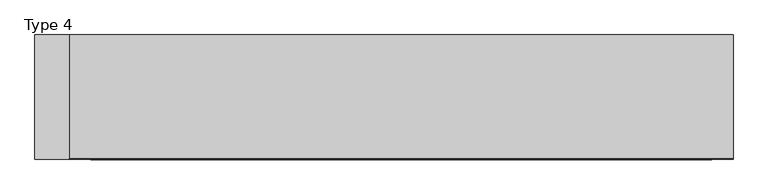
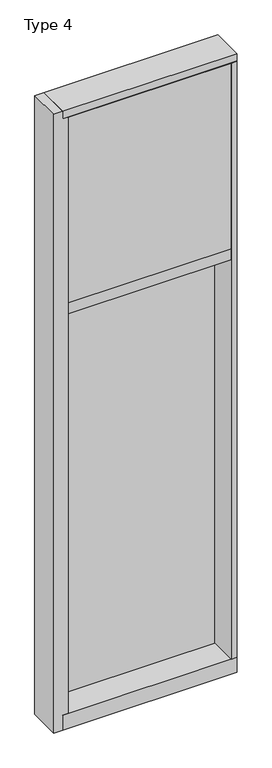
"""IFC4 building model written with IfcOpenShell, lengths in millimetres: plate geometry, Type 4."""

import ifcopenshell
import ifcopenshell.guid

model = None  # the IFC model being written
_history = None  # IfcOwnerHistory: only IFC2X3 demands one
_inside = {}  # id of a spatial element -> (the spatial element, [elements in it])
_under = {}  # id of a project, library or spatial element -> (it, [spatial elements below it])
_declared = {}  # id of a project -> (the project, [libraries it declares])
_typed = {}  # id of a type object -> (the type object, [elements of that type])
_made_of = {}  # id of a material, layer set ... -> (it, [elements and type objects made of it])


def new_model(schema):
    """Start an empty IFC model of exactly this schema.

    Asked for "IFC4X3", IfcOpenShell would pick the latest addendum, in which some entities
    have other attributes; the version numbers below select the first issue.
    IFC2X3 requires an IfcOwnerHistory on every rooted entity: one is made here for all.
    """
    global model, _history
    if schema == "IFC4X3":
        model = ifcopenshell.file(schema_version=(4, 3, 0, 0))
    else:
        model = ifcopenshell.file(schema=schema)
    _inside.clear()
    _under.clear()
    _declared.clear()
    _typed.clear()
    _made_of.clear()
    _history = None
    if model.schema == "IFC2X3":
        org = make("IfcOrganization", Name="unknown")
        user = make(
            "IfcPersonAndOrganization",
            ThePerson=make("IfcPerson", FamilyName="unknown"),
            TheOrganization=org,
        )
        app = make(
            "IfcApplication",
            ApplicationDeveloper=org,
            Version="unknown",
            ApplicationFullName="unknown",
            ApplicationIdentifier="unknown",
        )
        _history = make(
            "IfcOwnerHistory",
            OwningUser=user,
            OwningApplication=app,
            ChangeAction="ADDED",
            CreationDate=0,
        )
    return model


def make(cls, **values):
    """One entity of the class cls with the attributes given. An attribute that is None is left unset."""
    return model.create_entity(
        cls, **{name: value for name, value in values.items() if value is not None}
    )


def rooted(cls, **values):
    """An entity with a GlobalId (a new one), such as an element, a storey or a relation."""
    return make(cls, GlobalId=ifcopenshell.guid.new(), OwnerHistory=_history, **values)


def si_unit(unit_type, name, prefix=None):
    """IfcSIUnit, for example si_unit("LENGTHUNIT", "METRE", prefix="MILLI")."""
    return make("IfcSIUnit", UnitType=unit_type, Prefix=prefix, Name=name)


def assignment(units):
    """IfcUnitAssignment: the units of a project."""
    return None if units is None else make("IfcUnitAssignment", Units=units)


def point(xyz):
    """IfcCartesianPoint."""
    return None if xyz is None else make("IfcCartesianPoint", Coordinates=xyz)


def direction(xyz):
    """IfcDirection."""
    return None if xyz is None else make("IfcDirection", DirectionRatios=xyz)


def frame(location, z_axis=None, x_axis=None):
    """IfcAxis2Placement3D, a coordinate frame: its origin and axes. An axis left out is left unset."""
    return make(
        "IfcAxis2Placement3D",
        Location=point(location),
        Axis=direction(z_axis),
        RefDirection=direction(x_axis),
    )


def origin():
    """The frame at (0, 0, 0) with its axes left unset."""
    return frame((0.0, 0.0, 0.0))


def place(relative_to, where):
    """IfcLocalPlacement: puts the frame where relative to a parent placement (None: the world)."""
    return make(
        "IfcLocalPlacement", PlacementRelTo=relative_to, RelativePlacement=where
    )


def context(
    kind, dimensions, precision=None, world=None, true_north=None, identifier=None
):
    """IfcGeometricRepresentationContext, for example the 3D "Model" context."""
    return make(
        "IfcGeometricRepresentationContext",
        ContextIdentifier=identifier,
        ContextType=kind,
        CoordinateSpaceDimension=dimensions,
        Precision=precision,
        WorldCoordinateSystem=world,
        TrueNorth=true_north,
    )


def project(units=None, contexts=None):
    """IfcProject with its units and contexts."""
    return rooted(
        "IfcProject",
        Name="project",
        RepresentationContexts=contexts,
        UnitsInContext=assignment(units),
    )


def spatial(cls, under=None, at=None, **own):
    """A site, building, storey or space (cls), placed at a placement, below another one or the project."""
    s = rooted(cls, ObjectPlacement=at, **own)
    if under is not None:
        _under.setdefault(under.id(), (under, []))[1].append(s)
    return s


def polyline(points):
    """IfcPolyline through the points."""
    return make("IfcPolyline", Points=[point(p) for p in points])


def outline(outer, holes=None, kind="AREA"):
    """IfcArbitraryClosedProfileDef: a profile drawn as a closed curve; with holes, ...WithVoids."""
    if holes is None:
        return make("IfcArbitraryClosedProfileDef", ProfileType=kind, OuterCurve=outer)
    return make(
        "IfcArbitraryProfileDefWithVoids",
        ProfileType=kind,
        OuterCurve=outer,
        InnerCurves=holes,
    )


def extrude(swept, where, along, depth):
    """IfcExtrudedAreaSolid: the profile swept, set in the frame where, extruded along a direction by depth."""
    return make(
        "IfcExtrudedAreaSolid",
        SweptArea=swept,
        Position=where,
        ExtrudedDirection=direction(along),
        Depth=depth,
    )


def faces_of(points, faces, orient=None, outer=None):
    """IfcFace entities. A face is a list of loops; a loop is a list of indices into points, from 0.

    orient and outer hold one flag for each loop. By default every Orientation is true, the
    first loop of a face is its IfcFaceOuterBound and the others are IfcFaceBound.
    """
    made = []
    for i, loops in enumerate(faces):
        bounds = []
        for j, loop in enumerate(loops):
            is_outer = j == 0 if outer is None else outer[i][j]
            bounds.append(
                make(
                    "IfcFaceOuterBound" if is_outer else "IfcFaceBound",
                    Bound=make("IfcPolyLoop", Polygon=[points[k] for k in loop]),
                    Orientation=True if orient is None else orient[i][j],
                )
            )
        made.append(make("IfcFace", Bounds=bounds))
    return made


def faceted_brep(points, faces, orient=None, outer=None, voids=None):
    """IfcFacetedBrep: a solid bounded by flat faces; with voids (closed shells), ...WithVoids."""
    shared = [point(p) for p in points]
    hull = make("IfcClosedShell", CfsFaces=faces_of(shared, faces, orient, outer))
    if voids is None:
        return make("IfcFacetedBrep", Outer=hull)
    return make(
        "IfcFacetedBrepWithVoids",
        Outer=hull,
        Voids=[
            make(cls, CfsFaces=faces_of(shared, fs, o, b)) for cls, fs, o, b in voids
        ],
    )


def shape(context_of_items, identifier, shape_type, items):
    """IfcShapeRepresentation: the items that make up one representation, for example the "Body"."""
    return make(
        "IfcShapeRepresentation",
        ContextOfItems=context_of_items,
        RepresentationIdentifier=identifier,
        RepresentationType=shape_type,
        Items=items,
    )


def source(mapping_origin, context_of_items, identifier, shape_type, items):
    """IfcRepresentationMap: a shape defined once, which mapped items show again and again."""
    return make(
        "IfcRepresentationMap",
        MappingOrigin=mapping_origin,
        MappedRepresentation=shape(context_of_items, identifier, shape_type, items),
    )


def transform(
    local_origin,
    x_axis=None,
    y_axis=None,
    z_axis=None,
    scale=None,
    scale2=None,
    scale3=None,
    uniform=True,
):
    """IfcCartesianTransformationOperator3D, or its non-uniform kind. x_axis, y_axis, z_axis: its Axis1, 2, 3."""
    if uniform:
        return make(
            "IfcCartesianTransformationOperator3D",
            Axis1=direction(x_axis),
            Axis2=direction(y_axis),
            LocalOrigin=point(local_origin),
            Scale=scale,
            Axis3=direction(z_axis),
        )
    return make(
        "IfcCartesianTransformationOperator3DnonUniform",
        Axis1=direction(x_axis),
        Axis2=direction(y_axis),
        LocalOrigin=point(local_origin),
        Scale=scale,
        Axis3=direction(z_axis),
        Scale2=scale2,
        Scale3=scale3,
    )


def mapped(mapping_source, mapping_target):
    """IfcMappedItem: shows the shape of a source again, moved by a transform."""
    return make(
        "IfcMappedItem", MappingSource=mapping_source, MappingTarget=mapping_target
    )


def made_of(thing, what):
    """Note that an element or type object is made of a material, layer set ...; save() writes the relation."""
    if what is not None:
        _made_of.setdefault(what.id(), (what, []))[1].append(thing)
    return thing


def element(
    cls,
    number,
    at=None,
    inside=None,
    cuts=None,
    type_object=None,
    material=None,
    context=None,
    identifier="Body",
    shape_type=None,
    held_by="IfcProductDefinitionShape",
    body=None,
    shapes=None,
    **own,
):
    """One element of the class cls, such as IfcWall. Its Tag is "e" and its number.

    at: its placement. inside: the storey or other place that contains it. cuts: it is an
    opening in that element (IfcRelVoidsElement). A single representation is given by context,
    identifier, shape_type and body (its items); several are given by shapes. held_by: the class
    of the entity that holds the representations. save() writes the other relations.
    """
    e = rooted(cls, Tag="e%d" % number, ObjectPlacement=at, **own)
    if body is not None:
        shapes = [shape(context, identifier, shape_type, body)]
    if shapes is not None:
        e.Representation = make(held_by, Representations=shapes)
    if inside is not None:
        _inside.setdefault(inside.id(), (inside, []))[1].append(e)
    if cuts is not None:
        rooted(
            "IfcRelVoidsElement", RelatingBuildingElement=cuts, RelatedOpeningElement=e
        )
    if type_object is not None:
        _typed.setdefault(type_object.id(), (type_object, []))[1].append(e)
    return made_of(e, material)


def aggregate(whole, parts):
    """IfcRelAggregates: a whole, such as a stair, and the parts it consists of."""
    return rooted("IfcRelAggregates", RelatingObject=whole, RelatedObjects=parts)


def save(model, path):
    """Write the relations noted so far, then the file.

    IfcRelAggregates (storeys below a building ...), IfcRelContainedInSpatialStructure (elements
    in a storey), IfcRelDefinesByType, IfcRelAssociatesMaterial and IfcRelDeclares: one each for
    every whole, place, type object, material and project.
    """
    for whole, parts in _under.values():
        aggregate(whole, parts)
    for where, things in _inside.values():
        rooted(
            "IfcRelContainedInSpatialStructure",
            RelatedElements=things,
            RelatingStructure=where,
        )
    for kind, things in _typed.values():
        rooted("IfcRelDefinesByType", RelatedObjects=things, RelatingType=kind)
    for what, things in _made_of.values():
        rooted("IfcRelAssociatesMaterial", RelatedObjects=things, RelatingMaterial=what)
    for by, libraries in _declared.values():
        rooted("IfcRelDeclares", RelatingContext=by, RelatedDefinitions=libraries)
    model.write(path)


def type_4_caa9cb47(model_context):
    return source(origin(), model_context, "Body", "SolidModel", [
        faceted_brep([(-540.9108975, -155.9814, 3619.5), (-490.1108975, -155.9814, 3619.5), (-490.1108975, 27.686, 3619.5), (-540.9108975, 27.686, 3619.5), (-540.9108975, -155.9814, -57.15), (-540.9108975, 27.686, -57.15), (-490.1108975, 27.686, -57.15), (-490.1108975, -155.9814, -57.15), (-490.1108975, -155.9814, 31.75), (-458.3608975, -155.9814, 31.75), (-458.3608975, -155.9814, 3575.05), (-490.1108975, -155.9814, 3575.05), (-490.1108975, 2.286, 3575.05), (-490.1108975, 2.286, 31.75), (-458.3608975, 2.286, 3575.05), (-458.3608975, 2.286, 31.75)], [[[0, 1, 2, 3]], [[4, 5, 6, 7]], [[0, 4, 7, 8, 9, 10, 11, 1]], [[1, 11, 12, 13, 8, 7, 6, 2]], [[3, 5, 4, 0]], [[2, 6, 5, 3]], [[12, 11, 10, 14]], [[8, 13, 15, 9]], [[10, 9, 15, 14]], [[14, 15, 13, 12]]]),
        extrude(outline(polyline([(490.1108975, -155.9814), (458.3608975, -155.9814), (458.3608975, 2.286), (490.1108975, 2.286), (490.1108975, -155.9814)])), frame((0.0, 0.0, 31.75), z_axis=(0.0, 0.0, 1.0), x_axis=(1.0, 0.0, 0.0)), (0.0, 0.0, 1.0), 3543.3),
        extrude(outline(polyline([(458.3619867, -48.6409999), (458.3619867, -156.32684), (-458.3608975, -156.32684), (-458.3608975, -48.6409999), (458.3619867, -48.6409999)])), frame((0.0, 0.0, 2470.15), z_axis=(0.0, 0.0, 1.0), x_axis=(1.0, 0.0, 0.0)), (0.0, 0.0, 1.0), 1104.9984372),
        extrude(outline(polyline([(490.1108975, 27.6881517), (490.1108975, 11.2982336), (477.4119867, 11.2982336), (477.4119867, 27.6881517), (490.1108975, 27.6881517)])), frame((0.0, 0.0, 2444.75), z_axis=(0.0, 0.0, 1.0), x_axis=(1.0, 0.0, 0.0)), (0.0, 0.0, 1.0), 1149.35),
        extrude(outline(polyline([(-477.4119867, 27.6881517), (-477.4119867, 11.2982336), (-490.1108975, 11.2982336), (-490.1108975, 27.6881517), (-477.4119867, 27.6881517)])), frame((0.0, 0.0, 2444.75), z_axis=(0.0, 0.0, 1.0), x_axis=(1.0, 0.0, 0.0)), (0.0, 0.0, 1.0), 1149.35),
        extrude(outline(polyline([(477.4119867, 27.686), (477.4119867, 2.286), (-477.4119867, 2.286), (-477.4119867, 27.686), (477.4119867, 27.686)])), frame((0.0, 0.0, 2444.75), z_axis=(0.0, 0.0, 1.0), x_axis=(1.0, 0.0, 0.0)), (0.0, 0.0, 1.0), 1149.35),
        extrude(outline(polyline([(490.1108975, 27.6881517), (490.1108975, 11.2982336), (477.4119867, 11.2982336), (477.4119867, 27.6881517), (490.1108975, 27.6881517)])), frame((0.0, 0.0, 6.35), z_axis=(0.0, 0.0, 1.0), x_axis=(1.0, 0.0, 0.0)), (0.0, 0.0, 1.0), 2425.7),
        extrude(outline(polyline([(-477.4119867, 27.6881517), (-477.4119867, 11.2982336), (-490.1108975, 11.2982336), (-490.1108975, 27.6881517), (-477.4119867, 27.6881517)])), frame((0.0, 0.0, 6.35), z_axis=(0.0, 0.0, 1.0), x_axis=(1.0, 0.0, 0.0)), (0.0, 0.0, 1.0), 2425.7),
        extrude(outline(polyline([(477.4119867, 27.686), (477.4119867, 2.286), (-477.4119867, 2.286), (-477.4119867, 27.686), (477.4119867, 27.686)])), frame((0.0, 0.0, 6.35), z_axis=(0.0, 0.0, 1.0), x_axis=(1.0, 0.0, 0.0)), (0.0, 0.0, 1.0), 2425.7),
        extrude(outline(polyline([(490.1108975, 27.686), (490.1108975, 6.35), (-490.1108975, 6.35), (-490.1108975, 27.686), (490.1108975, 27.686)])), frame((0.0, 0.0, 2432.05), z_axis=(0.0, 0.0, 1.0), x_axis=(1.0, 0.0, 0.0)), (0.0, 0.0, 1.0), 12.7),
        extrude(outline(polyline([(-490.1108975, 15.9510838), (-490.1108975, 27.6859999), (490.1108975, 27.6859999), (490.1108975, 15.9510838), (-490.1108975, 15.9510838)])), frame((0.0, 0.0, 3594.7366239), z_axis=(0.0, 0.0, 1.0), x_axis=(1.0, 0.0, 0.0)), (0.0, 0.0, 1.0), 6.7161694),
        extrude(outline(polyline([(27.686, 3619.5), (27.686, 3601.4527933), (2.286, 3601.4527933), (2.286, 3575.6866239), (-155.6003929, 3575.6866239), (-155.4081413, 3619.5), (27.686, 3619.5)])), frame((-490.1108975, 0.0, 0.0), z_axis=(1.0, 0.0, 0.0), x_axis=(0.0, 1.0, 0.0)), (0.0, 0.0, 1.0), 980.2217951),
        extrude(outline(polyline([(-490.1108975, 5.0946564), (-490.1108975, 27.6881517), (490.1108975, 27.6881517), (490.1108975, 5.0946564), (-490.1108975, 5.0946564)])), frame((0.0, 0.0, -6.2984797), z_axis=(0.0, 0.0, 1.0), x_axis=(1.0, 0.0, 0.0)), (0.0, 0.0, 1.0), 12.6484797),
        extrude(outline(polyline([(-458.3608975, -155.4734), (-458.3608975, 2.2859999), (458.3608975, 2.2859999), (458.3608975, -155.4734), (-458.3608975, -155.4734)])), frame((0.0, 0.0, 2406.65), z_axis=(0.0, 0.0, 1.0), x_axis=(1.0, 0.0, 0.0)), (0.0, 0.0, 1.0), 63.5),
        extrude(outline(polyline([(2.2859999, 31.75), (2.2859999, -6.2983857), (27.6858239, -6.2983857), (27.6858239, -57.15), (-155.6004, -57.15), (-155.6004, 31.75), (2.2859999, 31.75)])), frame((-490.1108975, 0.0, 0.0), z_axis=(1.0, 0.0, 0.0), x_axis=(0.0, 1.0, 0.0)), (0.0, 0.0, 1.0), 980.2217951),
    ])


if __name__ == "__main__":
    model = new_model("IFC4")
    model_context = context("Model", 3, world=origin())
    ifc_project = project(units=[si_unit("LENGTHUNIT", "METRE", prefix="MILLI")], contexts=[model_context])
    site = spatial("IfcSite", under=ifc_project)
    building = spatial("IfcBuilding", under=site)
    placement = place(None, origin())
    type_4_shape = type_4_caa9cb47(model_context)
    element("IfcPlate", 1, ObjectType="Type 4", at=placement, inside=building, context=model_context, shape_type="MappedRepresentation", body=[
        mapped(type_4_shape, transform((0.0, 0.0, 0.0), x_axis=(1.0, 0.0, 0.0), y_axis=(0.0, 1.0, 0.0), z_axis=(0.0, 0.0, 1.0))),
    ])
    save(model, "model.ifc")
